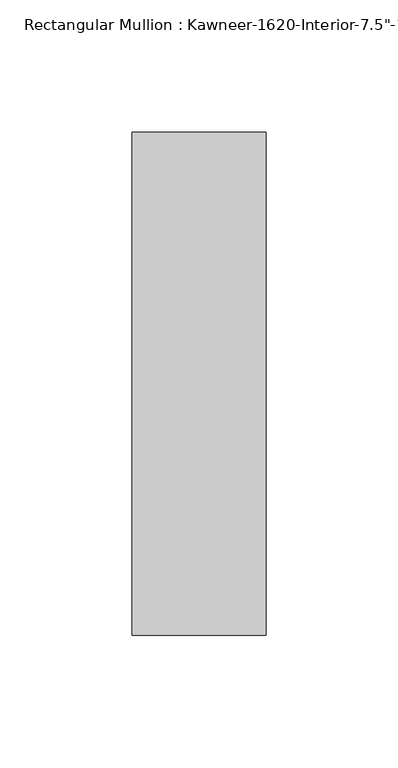
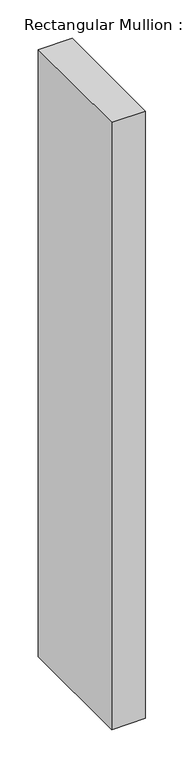
"""IFC4 building model written with IfcOpenShell, lengths in millimetres: member geometry."""

from ifc_helpers import new_model, si_unit, frame, origin, place, context, project, spatial, polyline, outline, extrude, source, transform, mapped, element, save


def member_efef4590(model_context):
    return source(origin(), model_context, "Body", "SweptSolid", [
        extrude(outline(polyline([(25.4, -161.925), (-25.4, -161.925), (-25.4, 28.575), (25.4, 28.575), (25.4, -161.925)])), frame((0.0, 0.0, -965.2), z_axis=(0.0, 0.0, 1.0), x_axis=(1.0, 0.0, 0.0)), (0.0, 0.0, 1.0), 965.2),
    ])


if __name__ == "__main__":
    model = new_model("IFC4")
    model_context = context("Model", 3, world=origin())
    ifc_project = project(units=[si_unit("LENGTHUNIT", "METRE", prefix="MILLI")], contexts=[model_context])
    site = spatial("IfcSite", under=ifc_project)
    building = spatial("IfcBuilding", under=site)
    placement = place(None, origin())
    member_shape = member_efef4590(model_context)
    element("IfcMember", 1, ObjectType="Rectangular Mullion : Kawneer-1620-Interior-7.5\"-1/4\"Infill", at=placement, inside=building, context=model_context, shape_type="MappedRepresentation", body=[
        mapped(member_shape, transform((0.0, 0.0, 0.0), x_axis=(1.0, 0.0, 0.0), y_axis=(0.0, 1.0, 0.0), z_axis=(0.0, 0.0, 1.0))),
    ])
    save(model, "model.ifc")
